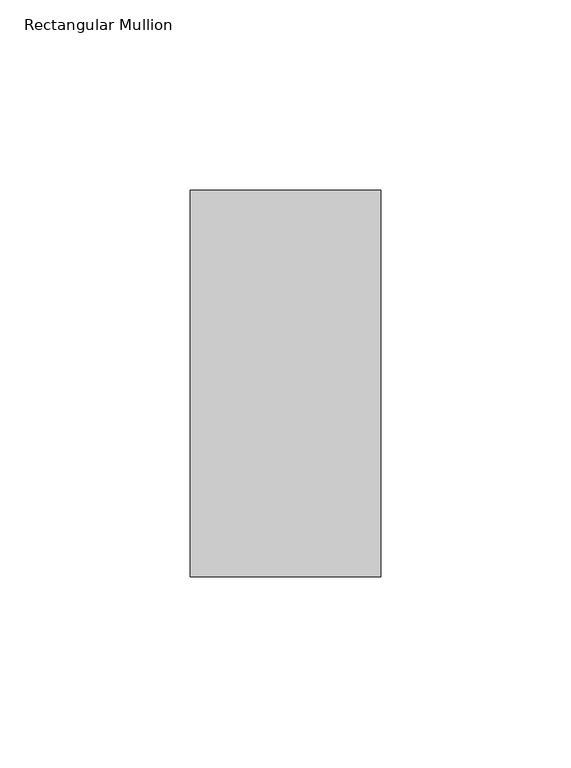
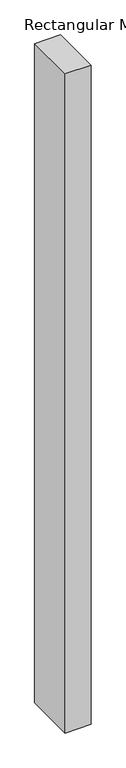
"""IFC4 building model written with IfcOpenShell, lengths in millimetres: member geometry, Rectangular Mullion."""

from ifc_helpers import new_model, si_unit, frame, origin, place, context, project, spatial, polyline, outline, extrude, source, transform, mapped, element, save


def rectangular_mullion_7989243c(model_context):
    return source(origin(), model_context, "Body", "SweptSolid", [
        extrude(outline(polyline([(25.0, 50.8), (25.0, -50.8), (-25.0, -50.8), (-25.0, 50.8), (25.0, 50.8)])), frame((0.0, 0.0, -1340.0), z_axis=(0.0, 0.0, 1.0), x_axis=(1.0, 0.0, 0.0)), (0.0, 0.0, 1.0), 1340.0),
    ])


if __name__ == "__main__":
    model = new_model("IFC4")
    model_context = context("Model", 3, world=origin())
    ifc_project = project(units=[si_unit("LENGTHUNIT", "METRE", prefix="MILLI")], contexts=[model_context])
    site = spatial("IfcSite", under=ifc_project)
    building = spatial("IfcBuilding", under=site)
    placement = place(None, origin())
    rectangular_mullion_shape = rectangular_mullion_7989243c(model_context)
    element("IfcMember", 1, ObjectType="Rectangular Mullion", at=placement, inside=building, context=model_context, shape_type="MappedRepresentation", body=[
        mapped(rectangular_mullion_shape, transform((0.0, 0.0, 0.0), x_axis=(1.0, 0.0, 0.0), y_axis=(0.0, 1.0, 0.0), z_axis=(0.0, 0.0, 1.0))),
    ])
    save(model, "model.ifc")
